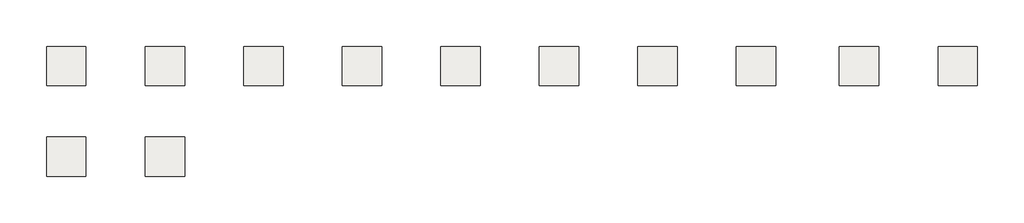
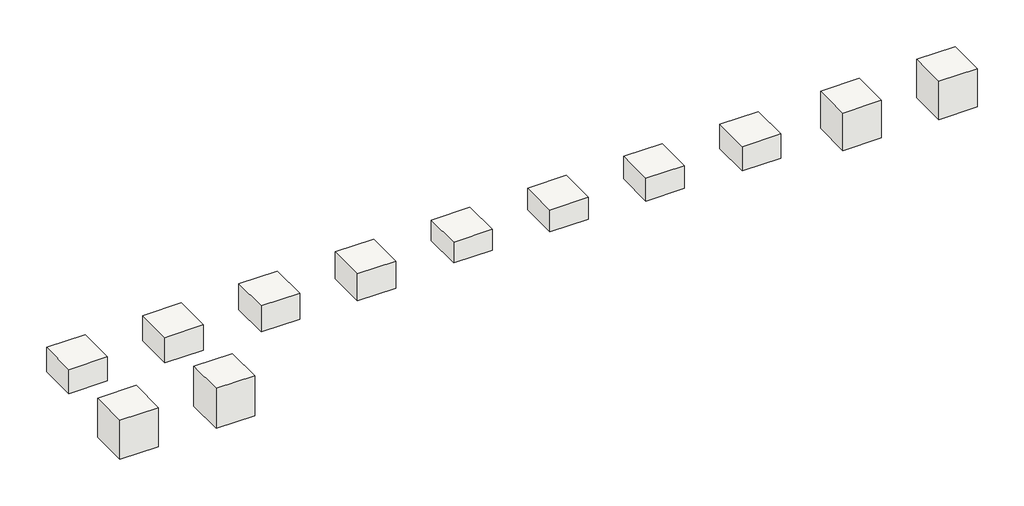
# One storey: 12 slabs.
"""IFC4 building model written with IfcOpenShell, lengths in millimetres."""

from ifc_helpers import new_model, si_unit, frame, origin, place, context, project, spatial, polyline, outline, extrude, element, save

model = new_model("IFC4")

# Units and contexts
model_context = context("Model", 3, world=origin())
ifc_project = project(units=[si_unit("LENGTHUNIT", "METRE", prefix="MILLI")], contexts=[model_context])

# Site, building, storey
site = spatial("IfcSite", under=ifc_project)
building = spatial("IfcBuilding", under=site)
storey = spatial("IfcBuildingStorey", under=building, Elevation=24688.8)

# Slabs
placement = place(None, origin())
element("IfcSlab", 1, at=placement, inside=storey, context=model_context, shape_type="SweptSolid", body=[
    extrude(outline(polyline([(-8937.8513824, 3067.7027002), (-8937.8513824, 19.7027002), (-11985.8513824, 19.7027002), (-11985.8513824, 3067.7027002), (-8937.8513824, 3067.7027002)])), frame((0.0, 0.0, 22664.419931), z_axis=(0.0, 0.0, 1.0), x_axis=(1.0, 0.0, 0.0)), (0.0, 0.0, 1.0), 2024.380069),
])
element("IfcSlab", 2, at=placement, inside=storey, context=model_context, shape_type="SweptSolid", body=[
    extrude(outline(polyline([(-1317.8513824, 3067.7027002), (-1317.8513824, 19.7027002), (-4365.8513824, 19.7027002), (-4365.8513824, 3067.7027002), (-1317.8513824, 3067.7027002)])), frame((0.0, 0.0, 22588.219931), z_axis=(0.0, 0.0, 1.0), x_axis=(1.0, 0.0, 0.0)), (0.0, 0.0, 1.0), 2100.580069),
])
element("IfcSlab", 3, at=placement, inside=storey, context=model_context, shape_type="SweptSolid", body=[
    extrude(outline(polyline([(6302.1486176, 3067.7027002), (6302.1486176, 19.7027002), (3254.1486176, 19.7027002), (3254.1486176, 3067.7027002), (6302.1486176, 3067.7027002)])), frame((0.0, 0.0, 22512.019931), z_axis=(0.0, 0.0, 1.0), x_axis=(1.0, 0.0, 0.0)), (0.0, 0.0, 1.0), 2176.780069),
])
element("IfcSlab", 4, at=placement, inside=storey, context=model_context, shape_type="SweptSolid", body=[
    extrude(outline(polyline([(13922.1486176, 3067.7027002), (13922.1486176, 19.7027002), (10874.1486176, 19.7027002), (10874.1486176, 3067.7027002), (13922.1486176, 3067.7027002)])), frame((0.0, 0.0, 22435.819931), z_axis=(0.0, 0.0, 1.0), x_axis=(1.0, 0.0, 0.0)), (0.0, 0.0, 1.0), 2252.980069),
])
element("IfcSlab", 5, at=placement, inside=storey, context=model_context, shape_type="SweptSolid", body=[
    extrude(outline(polyline([(21542.1486176, 3067.7027002), (21542.1486176, 19.7027002), (18494.1486176, 19.7027002), (18494.1486176, 3067.7027002), (21542.1486176, 3067.7027002)])), frame((0.0, 0.0, 22946.3599892), z_axis=(0.0, 0.0, 1.0), x_axis=(1.0, 0.0, 0.0)), (0.0, 0.0, 1.0), 1742.4400108),
])
element("IfcSlab", 6, at=placement, inside=storey, context=model_context, shape_type="SweptSolid", body=[
    extrude(outline(polyline([(29162.1486176, 3067.7027002), (29162.1486176, 19.7027002), (26114.1486176, 19.7027002), (26114.1486176, 3067.7027002), (29162.1486176, 3067.7027002)])), frame((0.0, 0.0, 22870.1599892), z_axis=(0.0, 0.0, 1.0), x_axis=(1.0, 0.0, 0.0)), (0.0, 0.0, 1.0), 1818.6400108),
])
element("IfcSlab", 7, at=placement, inside=storey, context=model_context, shape_type="SweptSolid", body=[
    extrude(outline(polyline([(36782.1486176, 3067.7027002), (36782.1486176, 19.7027002), (33734.1486176, 19.7027002), (33734.1486176, 3067.7027002), (36782.1486176, 3067.7027002)])), frame((0.0, 0.0, 22793.9599892), z_axis=(0.0, 0.0, 1.0), x_axis=(1.0, 0.0, 0.0)), (0.0, 0.0, 1.0), 1894.8400108),
])
element("IfcSlab", 8, at=placement, inside=storey, context=model_context, shape_type="SweptSolid", body=[
    extrude(outline(polyline([(44402.1486176, 3067.7027002), (44402.1486176, 19.7027002), (41354.1486176, 19.7027002), (41354.1486176, 3067.7027002), (44402.1486176, 3067.7027002)])), frame((0.0, 0.0, 22641.5599892), z_axis=(0.0, 0.0, 1.0), x_axis=(1.0, 0.0, 0.0)), (0.0, 0.0, 1.0), 2047.2400108),
])
element("IfcSlab", 9, at=placement, inside=storey, context=model_context, shape_type="SweptSolid", body=[
    extrude(outline(polyline([(52367.1726795, 3067.7027002), (52367.1726795, 19.7027002), (49319.1726795, 19.7027002), (49319.1726795, 3067.7027002), (52367.1726795, 3067.7027002)])), frame((0.0, 0.0, 21564.5999989), z_axis=(0.0, 0.0, 1.0), x_axis=(1.0, 0.0, 0.0)), (0.0, 0.0, 1.0), 3124.2000011),
])
element("IfcSlab", 10, at=placement, inside=storey, context=model_context, shape_type="SweptSolid", body=[
    extrude(outline(polyline([(59987.1726795, 3067.7027002), (59987.1726795, 19.7027002), (56939.1726795, 19.7027002), (56939.1726795, 3067.7027002), (59987.1726795, 3067.7027002)])), frame((0.0, 0.0, 21488.3999989), z_axis=(0.0, 0.0, 1.0), x_axis=(1.0, 0.0, 0.0)), (0.0, 0.0, 1.0), 3200.4000011),
])
element("IfcSlab", 11, at=placement, inside=storey, context=model_context, shape_type="SweptSolid", body=[
    extrude(outline(polyline([(-8937.8513824, -3942.6972998), (-8937.8513824, -6990.6972998), (-11985.8513824, -6990.6972998), (-11985.8513824, -3942.6972998), (-8937.8513824, -3942.6972998)])), frame((0.0, 0.0, 21412.1999989), z_axis=(0.0, 0.0, 1.0), x_axis=(1.0, 0.0, 0.0)), (0.0, 0.0, 1.0), 3276.6000011),
])
element("IfcSlab", 12, at=placement, inside=storey, context=model_context, shape_type="SweptSolid", body=[
    extrude(outline(polyline([(-1317.8513824, -3942.6972998), (-1317.8513824, -6990.6972998), (-4365.8513824, -6990.6972998), (-4365.8513824, -3942.6972998), (-1317.8513824, -3942.6972998)])), frame((0.0, 0.0, 21335.9999989), z_axis=(0.0, 0.0, 1.0), x_axis=(1.0, 0.0, 0.0)), (0.0, 0.0, 1.0), 3352.8000011),
])

save(model, "model.ifc")
